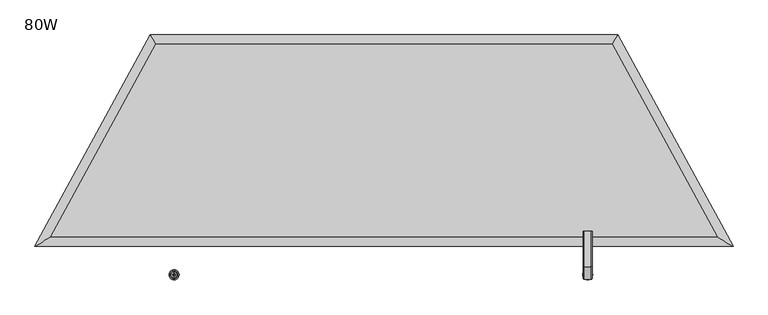
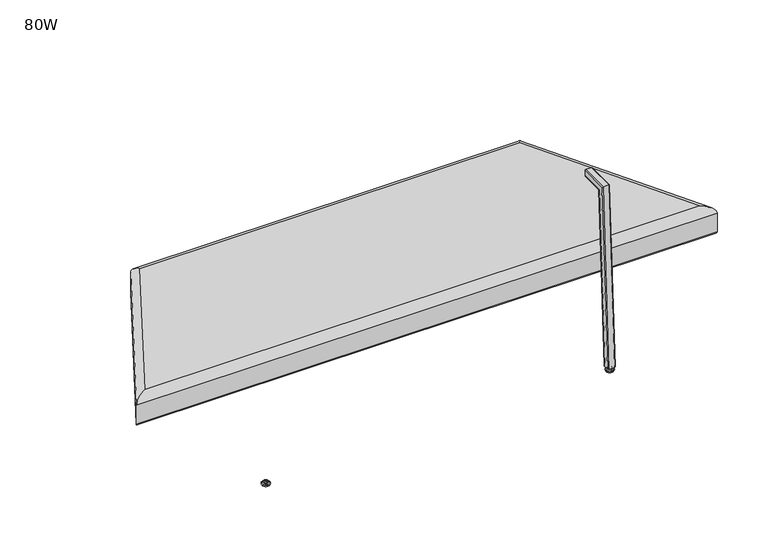
"""IFC4 building model written with IfcOpenShell, lengths in millimetres: furniture geometry, 80W."""

from ifc_helpers import new_model, si_unit, point, frame, origin, place, context, project, spatial, polyline, circle_curve, ellipse_curve, trimmed, outline, extrude, source, transform, mapped, element, save
from ifc_brep_helpers import plane_surface, cylinder_surface, revolved_surface, advanced_brep


def furniture_80w_6e735d3f(model_context):
    return source(origin(), model_context, "Body", "SolidModel", [
        advanced_brep(
        [(1650.9879716, 678.8688097, 405.8895176), (334.3658124, 678.8688097, 405.8895176), (31.9123949, 123.7984512, 405.8895176), (1953.4413891, 123.7984512, 405.8895176), (1988.655218, 102.8840302, 304.2919641), (-3.301434, 102.8840302, 304.2919641), (321.9441865, 699.7832308, 304.2919641), (1663.4095975, 699.7832308, 304.2919641), (1667.1810299, 706.1332308, 310.6419641), (1999.3467792, 96.5340302, 310.6419641), (1667.1810299, 706.1332308, 379.4503267), (1999.3467792, 96.5340302, 379.4503267), (-13.9929952, 96.5340302, 310.6419641), (-13.9929952, 96.5340302, 379.4503267), (318.1727541, 706.1332308, 310.6419641), (318.1727541, 706.1332308, 379.4503267)],
        [
            (0, 1),
            (1, 2),
            (2, 3),
            (3, 0),
            (4, 5),
            (5, 6),
            (6, 7),
            (7, 4),
            (8, 9),
            (9, 4, ellipse_curve(frame((1988.655218, 102.8840302, 310.6419641), z_axis=(0.510650857000273, 0.8597881728919552, 0.0), x_axis=(-0.8597881728919552, 0.510650857000273, 0.0)), 12.4351108, 6.35)),
            (7, 8, ellipse_curve(frame((1663.4095975, 699.7832308, 310.6419641), z_axis=(0.8597881728919553, -0.510650857000273, 0.0), x_axis=(0.5106508570002734, 0.8597881728919552, 0.0)), 7.3855401, 6.35)),
            (8, 10),
            (10, 11),
            (11, 9),
            (10, 0, ellipse_curve(frame((1651.4706801, 679.681551, 379.4503267), z_axis=(0.8597881728919553, -0.510650857000273, 0.0), x_axis=(0.5106508570002734, 0.8597881728919552, 0.0)), 30.7653451, 26.4516798)),
            (3, 11, ellipse_curve(frame((1954.8098101, 122.98571, 379.4503267), z_axis=(0.510650857000273, 0.8597881728919552, 0.0), x_axis=(-0.8597881728919552, 0.510650857000273, 0.0)), 51.7999323, 26.4516798)),
            (9, 12),
            (12, 5, ellipse_curve(frame((-3.301434, 102.8840302, 310.6419641), z_axis=(0.5106508570002734, -0.859788172891955, 0.0), x_axis=(0.859788172891955, 0.5106508570002732, 0.0)), 12.4351108, 6.35)),
            (11, 13),
            (13, 12),
            (2, 13, ellipse_curve(frame((30.5439739, 122.98571, 379.4503267), z_axis=(0.5106508570002734, -0.859788172891955, 0.0), x_axis=(0.859788172891955, 0.5106508570002732, 0.0)), 51.7999323, 26.4516798)),
            (12, 14),
            (14, 6, ellipse_curve(frame((321.9441865, 699.7832308, 310.6419641), z_axis=(-0.8597881728919551, -0.5106508570002735, 0.0), x_axis=(0.5106508570002738, -0.859788172891955, 0.0)), 7.3855401, 6.35)),
            (13, 15),
            (15, 14),
            (1, 15, ellipse_curve(frame((333.8831039, 679.681551, 379.4503267), z_axis=(-0.8597881728919551, -0.5106508570002735, 0.0), x_axis=(0.5106508570002738, -0.859788172891955, 0.0)), 30.7653451, 26.4516798)),
            (14, 8),
            (15, 10),
        ],
        [
            plane_surface(frame((31.9123949, 123.7984512, 405.8895176), z_axis=(0.0, 0.0, 1.0000000000000002), x_axis=(0.4784714044897729, 0.8781031346519521, 0.0))),
            plane_surface(frame((31.9123949, 123.7984512, 304.2919641), z_axis=(0.0, 0.0, -1.0000000000000002), x_axis=(-0.4784714044897729, -0.8781031346519521, 0.0))),
            cylinder_surface(frame((1669.3529903, 688.8757621, 310.6419641), z_axis=(-0.47847140448977327, 0.8781031346519518, 0.0), x_axis=(-0.8781031346519518, -0.47847140448977327, 0.0)), 6.35),
            plane_surface(frame((1667.1810299, 706.1332308, 310.6419641), z_axis=(0.8781031346519518, 0.47847140448977327, 0.0), x_axis=(0.47847140448977327, -0.8781031346519518, 0.0))),
            cylinder_surface(frame((1651.7016423, 679.2576832, 379.4503267), z_axis=(-0.47847140448977327, 0.8781031346519518, 0.0), x_axis=(-0.8781031346519518, -0.47847140448977327, 0.0)), 26.4516798),
            cylinder_surface(frame((1953.4413891, 102.8840302, 310.6419641), z_axis=(1.0, 0.0, 0.0), x_axis=(0.0, 1.0, 0.0)), 6.35),
            plane_surface(frame((1999.3467792, 96.5340302, 310.6419641), z_axis=(0.0, -1.0, 0.0), x_axis=(-1.0, 0.0, 0.0))),
            cylinder_surface(frame((1953.4413891, 122.98571, 379.4503267), z_axis=(1.0, 0.0, 0.0), x_axis=(0.0, 1.0, 0.0)), 26.4516798),
            cylinder_surface(frame((13.5473762, 133.8054037, 310.6419641), z_axis=(-0.47847140448977277, -0.8781031346519521, 0.0), x_axis=(0.8781031346519521, -0.47847140448977277, 0.0)), 6.35),
            plane_surface(frame((-13.9929952, 96.5340302, 310.6419641), z_axis=(-0.878103134651952, 0.478471404489773, 0.0), x_axis=(0.478471404489773, 0.878103134651952, 0.0))),
            cylinder_surface(frame((31.1987242, 124.1873247, 379.4503267), z_axis=(-0.47847140448977277, -0.8781031346519521, 0.0), x_axis=(0.8781031346519521, -0.47847140448977277, 0.0)), 26.4516798),
            cylinder_surface(frame((334.3658124, 699.7832308, 310.6419641), z_axis=(-1.0, 0.0, 0.0), x_axis=(0.0, -1.0, 0.0)), 6.35),
            plane_surface(frame((318.1727541, 706.1332308, 310.6419641), z_axis=(0.0, 1.0, 0.0), x_axis=(1.0, 0.0, 0.0))),
            cylinder_surface(frame((334.3658124, 679.681551, 379.4503267), z_axis=(-1.0, 0.0, 0.0), x_axis=(0.0, -1.0, 0.0)), 26.4516798),
        ],
        [
            (0, [[1, 2, 3, 4]]),
            (1, [[5, 6, 7, 8]]),
            (2, [[9, 10, -8, 11]]),
            (3, [[12, 13, 14, -9]]),
            (4, [[15, -4, 16, -13]]),
            (5, [[17, 18, -5, -10]]),
            (6, [[19, 20, -17, -14]]),
            (7, [[-3, 21, -19, -16]]),
            (8, [[22, 23, -6, -18]]),
            (9, [[24, 25, -22, -20]]),
            (10, [[-2, 26, -24, -21]]),
            (11, [[-7, -23, 27, -11]]),
            (12, [[-27, -25, 28, -12]]),
            (13, [[-28, -26, -1, -15]]),
        ],
    ),
        advanced_brep(
        [(1579.88, 645.9431587, 14.8752118), (1579.88, 649.2548643, 14.8752118), (1579.88, 652.5665699, 14.8752118), (1579.88, 645.3562211, 13.858606), (1579.88, 653.1535076, 13.858606), (1579.88, 641.3242474, 11.2402116), (1579.88, 657.1854813, 11.2402116), (1579.88, 641.3242474, 8.74896), (1579.88, 657.1854813, 8.74896), (1579.88, 642.9059165, 8.74896), (1579.88, 655.6038121, 8.74896), (1579.88, 638.0462975, 5.9432577), (1579.88, 660.4634312, 5.9432577), (1579.88, 634.8556417, 3.5556814), (1579.88, 663.6540869, 3.5556814), (1579.88, 636.908533, 0.0), (1579.88, 661.6011957, 0.0), (1579.88, 649.2548643, 0.0)],
        [
            (0, 1),
            (1, 2),
            (2, 0, circle_curve(frame((1579.88, 649.2548643, 14.8752118), z_axis=(0.0, 0.0, 1.0), x_axis=(0.0, 1.0, 0.0)), 3.3117056)),
            (0, 2, circle_curve(frame((1579.88, 649.2548643, 14.8752118), z_axis=(0.0, 0.0, 1.0), x_axis=(0.0, 1.0, 0.0)), 3.3117056)),
            (3, 0),
            (2, 4),
            (4, 3, circle_curve(frame((1579.88, 649.2548643, 13.858606), z_axis=(0.0, 0.0, 1.0), x_axis=(0.0, 1.0, 0.0)), 3.8986433)),
            (3, 4, circle_curve(frame((1579.88, 649.2548643, 13.858606), z_axis=(0.0, 0.0, 1.0), x_axis=(0.0, 1.0, 0.0)), 3.8986433)),
            (5, 3),
            (4, 6),
            (6, 5, circle_curve(frame((1579.88, 649.2548643, 11.2402116), z_axis=(0.0, 0.0, 1.0), x_axis=(0.0, 1.0, 0.0)), 7.930617)),
            (5, 6, circle_curve(frame((1579.88, 649.2548643, 11.2402116), z_axis=(0.0, 0.0, 1.0), x_axis=(0.0, 1.0, 0.0)), 7.930617)),
            (7, 5),
            (6, 8),
            (8, 7, circle_curve(frame((1579.88, 649.2548643, 8.74896), z_axis=(0.0, 0.0, 1.0), x_axis=(0.0, 1.0, 0.0)), 7.930617)),
            (7, 8, circle_curve(frame((1579.88, 649.2548643, 8.74896), z_axis=(0.0, 0.0, 1.0), x_axis=(0.0, 1.0, 0.0)), 7.930617)),
            (9, 7),
            (8, 10),
            (10, 9, circle_curve(frame((1579.88, 649.2548643, 8.74896), z_axis=(0.0, 0.0, 1.0), x_axis=(0.0, 1.0, 0.0)), 6.3489478)),
            (9, 10, circle_curve(frame((1579.88, 649.2548643, 8.74896), z_axis=(0.0, 0.0, 1.0), x_axis=(0.0, 1.0, 0.0)), 6.3489478)),
            (11, 9, circle_curve(frame((1579.88, 638.3936715, 10.9529929), z_axis=(1.0, 0.0, 0.0), x_axis=(0.0, -1.0, 0.0)), 5.0217642)),
            (10, 12, circle_curve(frame((1579.88, 660.1160571, 10.9529929), z_axis=(1.0, 0.0, 0.0), x_axis=(0.0, 1.0, 0.0)), 5.0217642)),
            (12, 11, circle_curve(frame((1579.88, 649.2548643, 5.9432577), z_axis=(0.0, 0.0, 1.0), x_axis=(0.0, 1.0, 0.0)), 11.2085669)),
            (11, 12, circle_curve(frame((1579.88, 649.2548643, 5.9432577), z_axis=(0.0, 0.0, 1.0), x_axis=(0.0, 1.0, 0.0)), 11.2085669)),
            (13, 11, circle_curve(frame((1579.88, 637.8352492, 2.8995769), z_axis=(-1.0, 0.0, 0.0), x_axis=(0.0, -1.0, 0.0)), 3.050989)),
            (12, 14, circle_curve(frame((1579.88, 660.6744794, 2.8995769), z_axis=(-1.0, 0.0, 0.0), x_axis=(0.0, 1.0, 0.0)), 3.050989)),
            (14, 13, circle_curve(frame((1579.88, 649.2548643, 3.5556814), z_axis=(0.0, 0.0, 1.0), x_axis=(0.0, 1.0, 0.0)), 14.3992226)),
            (13, 14, circle_curve(frame((1579.88, 649.2548643, 3.5556814), z_axis=(0.0, 0.0, 1.0), x_axis=(0.0, 1.0, 0.0)), 14.3992226)),
            (15, 13),
            (14, 16),
            (16, 15, circle_curve(frame((1579.88, 649.2548643, 0.0), z_axis=(0.0, 0.0, 1.0), x_axis=(0.0, 1.0, 0.0)), 12.3463313)),
            (15, 16, circle_curve(frame((1579.88, 649.2548643, 0.0), z_axis=(0.0, 0.0, 1.0), x_axis=(0.0, 1.0, 0.0)), 12.3463313)),
            (17, 15),
            (16, 17),
        ],
        [
            plane_surface(frame((1579.88, 649.2548643, 14.8752118), z_axis=(0.0, 0.0, 1.0), x_axis=(0.0, 1.0, 0.0))),
            revolved_surface(polyline([(1579.88, 652.5665699, 14.8752118), (1579.88, 653.1535076, 13.858606)]), (1579.88, 649.2548643, 0.0), (0.0, 0.0, -1.0)),
            revolved_surface(polyline([(1579.88, 653.1535076, 13.858606), (1579.88, 657.1854813, 11.2402116)]), (1579.88, 649.2548643, 0.0), (0.0, 0.0, -1.0)),
            cylinder_surface(frame((1579.88, 649.2548643, 0.0), z_axis=(0.0, 0.0, -1.0), x_axis=(0.0, 1.0, 0.0)), 7.930617),
            plane_surface(frame((1579.88, 649.2548643, 8.74896), z_axis=(0.0, 0.0, -1.0), x_axis=(0.0, 1.0, 0.0))),
            revolved_surface(trimmed(ellipse_curve(frame((1579.88, 660.1160571, 10.9529929), z_axis=(1.0, 0.0, 0.0), x_axis=(0.0, 1.0, 0.0)), 5.0217642, 5.0217642), [point((1579.88, 655.6038121, 8.74896))], [point((1579.88, 660.4634312, 5.9432577))], True, "CARTESIAN"), (1579.88, 649.2548643, 0.0), (0.0, 0.0, -1.0)),
            revolved_surface(trimmed(ellipse_curve(frame((1579.88, 660.6744794, 2.8995769), z_axis=(-1.0, 0.0, 0.0), x_axis=(0.0, 1.0, 0.0)), 3.050989, 3.050989), [point((1579.88, 660.4634312, 5.9432577))], [point((1579.88, 663.6540869, 3.5556814))], True, "CARTESIAN"), (1579.88, 649.2548643, 0.0), (0.0, 0.0, -1.0)),
            revolved_surface(polyline([(1579.88, 663.6540869, 3.5556814), (1579.88, 661.6011957, 0.0)]), (1579.88, 649.2548643, 0.0), (0.0, 0.0, -1.0)),
            plane_surface(frame((1579.88, 649.2548643, 0.0), z_axis=(0.0, 0.0, -1.0), x_axis=(0.0, 1.0, 0.0))),
        ],
        [
            (0, [[1, 2, 3]]),
            (0, [[-2, -1, 4]]),
            (1, [[5, -3, 6, 7]]),
            (1, [[-6, -4, -5, 8]]),
            (2, [[9, -7, 10, 11]]),
            (2, [[-10, -8, -9, 12]]),
            (3, [[13, -11, 14, 15]]),
            (3, [[-14, -12, -13, 16]]),
            (4, [[17, -15, 18, 19]]),
            (4, [[-18, -16, -17, 20]]),
            (5, [[21, -19, 22, 23]]),
            (5, [[-22, -20, -21, 24]]),
            (6, [[25, -23, 26, 27]]),
            (6, [[-26, -24, -25, 28]]),
            (7, [[29, -27, 30, 31]]),
            (7, [[-30, -28, -29, 32]]),
            (8, [[33, -31, 34]]),
            (8, [[-34, -32, -33]]),
        ],
    ),
        advanced_brep(
        [(1579.88, 14.3992226, 14.8752118), (1579.88, 17.7109282, 14.8752118), (1579.88, 11.087517, 14.8752118), (1579.88, 18.2978659, 13.858606), (1579.88, 10.5005793, 13.858606), (1579.88, 22.3298395, 11.2402116), (1579.88, 6.4686056, 11.2402116), (1579.88, 22.3298395, 8.74896), (1579.88, 6.4686056, 8.74896), (1579.88, 20.7481704, 8.74896), (1579.88, 8.0502748, 8.74896), (1579.88, 25.6077895, 5.9432577), (1579.88, 3.1906557, 5.9432577), (1579.88, 28.7984452, 3.5556814), (1579.88, 0.0, 3.5556814), (1579.88, 26.7455539, 0.0), (1579.88, 2.0528912, 0.0), (1579.88, 14.3992226, 0.0)],
        [
            (0, 1),
            (1, 2, circle_curve(frame((1579.88, 14.3992226, 14.8752118), z_axis=(0.0, 0.0, 1.0), x_axis=(0.0, -1.0, 0.0)), 3.3117056)),
            (2, 0),
            (2, 1, circle_curve(frame((1579.88, 14.3992226, 14.8752118), z_axis=(0.0, 0.0, 1.0), x_axis=(0.0, -1.0, 0.0)), 3.3117056)),
            (1, 3),
            (3, 4, circle_curve(frame((1579.88, 14.3992226, 13.858606), z_axis=(0.0, 0.0, 1.0), x_axis=(0.0, -1.0, 0.0)), 3.8986433)),
            (4, 2),
            (4, 3, circle_curve(frame((1579.88, 14.3992226, 13.858606), z_axis=(0.0, 0.0, 1.0), x_axis=(0.0, -1.0, 0.0)), 3.8986433)),
            (3, 5),
            (5, 6, circle_curve(frame((1579.88, 14.3992226, 11.2402116), z_axis=(0.0, 0.0, 1.0), x_axis=(0.0, -1.0, 0.0)), 7.930617)),
            (6, 4),
            (6, 5, circle_curve(frame((1579.88, 14.3992226, 11.2402116), z_axis=(0.0, 0.0, 1.0), x_axis=(0.0, -1.0, 0.0)), 7.930617)),
            (5, 7),
            (7, 8, circle_curve(frame((1579.88, 14.3992226, 8.74896), z_axis=(0.0, 0.0, 1.0), x_axis=(0.0, -1.0, 0.0)), 7.930617)),
            (8, 6),
            (8, 7, circle_curve(frame((1579.88, 14.3992226, 8.74896), z_axis=(0.0, 0.0, 1.0), x_axis=(0.0, -1.0, 0.0)), 7.930617)),
            (7, 9),
            (9, 10, circle_curve(frame((1579.88, 14.3992226, 8.74896), z_axis=(0.0, 0.0, 1.0), x_axis=(0.0, -1.0, 0.0)), 6.3489478)),
            (10, 8),
            (10, 9, circle_curve(frame((1579.88, 14.3992226, 8.74896), z_axis=(0.0, 0.0, 1.0), x_axis=(0.0, -1.0, 0.0)), 6.3489478)),
            (9, 11, circle_curve(frame((1579.88, 25.2604154, 10.9529929), z_axis=(1.0, 0.0, 0.0), x_axis=(0.0, -1.0, 0.0)), 5.0217642)),
            (11, 12, circle_curve(frame((1579.88, 14.3992226, 5.9432577), z_axis=(0.0, 0.0, 1.0), x_axis=(0.0, -1.0, 0.0)), 11.2085669)),
            (12, 10, circle_curve(frame((1579.88, 3.5380298, 10.9529929), z_axis=(1.0, 0.0, 0.0), x_axis=(0.0, 1.0, 0.0)), 5.0217642)),
            (12, 11, circle_curve(frame((1579.88, 14.3992226, 5.9432577), z_axis=(0.0, 0.0, 1.0), x_axis=(0.0, -1.0, 0.0)), 11.2085669)),
            (11, 13, circle_curve(frame((1579.88, 25.8188377, 2.8995769), z_axis=(-1.0, 0.0, 0.0), x_axis=(0.0, -1.0, 0.0)), 3.050989)),
            (13, 14, circle_curve(frame((1579.88, 14.3992226, 3.5556814), z_axis=(0.0, 0.0, 1.0), x_axis=(0.0, -1.0, 0.0)), 14.3992226)),
            (14, 12, circle_curve(frame((1579.88, 2.9796075, 2.8995769), z_axis=(-1.0, 0.0, 0.0), x_axis=(0.0, 1.0, 0.0)), 3.050989)),
            (14, 13, circle_curve(frame((1579.88, 14.3992226, 3.5556814), z_axis=(0.0, 0.0, 1.0), x_axis=(0.0, -1.0, 0.0)), 14.3992226)),
            (13, 15),
            (15, 16, circle_curve(frame((1579.88, 14.3992226, 0.0), z_axis=(0.0, 0.0, 1.0), x_axis=(0.0, -1.0, 0.0)), 12.3463313)),
            (16, 14),
            (16, 15, circle_curve(frame((1579.88, 14.3992226, 0.0), z_axis=(0.0, 0.0, 1.0), x_axis=(0.0, -1.0, 0.0)), 12.3463313)),
            (15, 17),
            (17, 16),
        ],
        [
            plane_surface(frame((1579.88, 14.3992226, 14.8752118), z_axis=(0.0, 0.0, 1.0), x_axis=(0.0, -1.0, 0.0))),
            revolved_surface(polyline([(1579.88, 10.5005793, 13.858606), (1579.88, 11.087517, 14.8752118)]), (1579.88, 14.3992226, 0.0), (0.0, 0.0, 1.0)),
            revolved_surface(polyline([(1579.88, 6.4686056, 11.2402116), (1579.88, 10.5005793, 13.858606)]), (1579.88, 14.3992226, 0.0), (0.0, 0.0, 1.0)),
            cylinder_surface(frame((1579.88, 14.3992226, 0.0), z_axis=(0.0, 0.0, 1.0), x_axis=(0.0, -1.0, 0.0)), 7.930617),
            plane_surface(frame((1579.88, 14.3992226, 8.74896), z_axis=(0.0, 0.0, -1.0), x_axis=(0.0, -1.0, 0.0))),
            revolved_surface(trimmed(ellipse_curve(frame((1579.88, 3.5380298, 10.9529929), z_axis=(1.0, 0.0, 0.0), x_axis=(0.0, 1.0, 0.0)), 5.0217642, 5.0217642), [point((1579.88, 3.1906557, 5.9432577))], [point((1579.88, 8.0502748, 8.74896))], True, "CARTESIAN"), (1579.88, 14.3992226, 0.0), (0.0, 0.0, 1.0)),
            revolved_surface(trimmed(ellipse_curve(frame((1579.88, 2.9796075, 2.8995769), z_axis=(-1.0, 0.0, 0.0), x_axis=(0.0, 1.0, 0.0)), 3.050989, 3.050989), [point((1579.88, 0.0, 3.5556814))], [point((1579.88, 3.1906557, 5.9432577))], True, "CARTESIAN"), (1579.88, 14.3992226, 0.0), (0.0, 0.0, 1.0)),
            revolved_surface(polyline([(1579.88, 2.0528912, 0.0), (1579.88, 0.0, 3.5556814)]), (1579.88, 14.3992226, 0.0), (0.0, 0.0, 1.0)),
            plane_surface(frame((1579.88, 14.3992226, 0.0), z_axis=(0.0, 0.0, -1.0), x_axis=(0.0, -1.0, 0.0))),
        ],
        [
            (0, [[1, 2, 3]]),
            (0, [[-3, 4, -1]]),
            (1, [[5, 6, 7, -2]]),
            (1, [[-7, 8, -5, -4]]),
            (2, [[9, 10, 11, -6]]),
            (2, [[-11, 12, -9, -8]]),
            (3, [[13, 14, 15, -10]]),
            (3, [[-15, 16, -13, -12]]),
            (4, [[17, 18, 19, -14]]),
            (4, [[-19, 20, -17, -16]]),
            (5, [[21, 22, 23, -18]]),
            (5, [[-23, 24, -21, -20]]),
            (6, [[25, 26, 27, -22]]),
            (6, [[-27, 28, -25, -24]]),
            (7, [[29, 30, 31, -26]]),
            (7, [[-31, 32, -29, -28]]),
            (8, [[33, 34, -30]]),
            (8, [[-34, -33, -32]]),
        ],
    ),
        advanced_brep(
        [(387.2755006, 649.2548643, 14.8752118), (387.2755006, 645.9431587, 14.8752118), (387.2755006, 652.5665699, 14.8752118), (387.2755006, 645.3562211, 13.858606), (387.2755006, 653.1535076, 13.858606), (387.2755006, 641.3242474, 11.2402116), (387.2755006, 657.1854813, 11.2402116), (387.2755006, 641.3242474, 8.74896), (387.2755006, 657.1854813, 8.74896), (387.2755006, 642.9059165, 8.74896), (387.2755006, 655.6038121, 8.74896), (387.2755006, 638.0462975, 5.9432577), (387.2755006, 660.4634312, 5.9432577), (387.2755006, 634.8556417, 3.5556814), (387.2755006, 663.6540869, 3.5556814), (387.2755006, 636.908533, 0.0), (387.2755006, 661.6011957, 0.0), (387.2755006, 649.2548643, 0.0)],
        [
            (0, 1),
            (1, 2, circle_curve(frame((387.2755006, 649.2548643, 14.8752118), z_axis=(0.0, 0.0, 1.0), x_axis=(0.0, 1.0, 0.0)), 3.3117056)),
            (2, 0),
            (2, 1, circle_curve(frame((387.2755006, 649.2548643, 14.8752118), z_axis=(0.0, 0.0, 1.0), x_axis=(0.0, 1.0, 0.0)), 3.3117056)),
            (1, 3),
            (3, 4, circle_curve(frame((387.2755006, 649.2548643, 13.858606), z_axis=(0.0, 0.0, 1.0), x_axis=(0.0, 1.0, 0.0)), 3.8986433)),
            (4, 2),
            (4, 3, circle_curve(frame((387.2755006, 649.2548643, 13.858606), z_axis=(0.0, 0.0, 1.0), x_axis=(0.0, 1.0, 0.0)), 3.8986433)),
            (3, 5),
            (5, 6, circle_curve(frame((387.2755006, 649.2548643, 11.2402116), z_axis=(0.0, 0.0, 1.0), x_axis=(0.0, 1.0, 0.0)), 7.930617)),
            (6, 4),
            (6, 5, circle_curve(frame((387.2755006, 649.2548643, 11.2402116), z_axis=(0.0, 0.0, 1.0), x_axis=(0.0, 1.0, 0.0)), 7.930617)),
            (5, 7),
            (7, 8, circle_curve(frame((387.2755006, 649.2548643, 8.74896), z_axis=(0.0, 0.0, 1.0), x_axis=(0.0, 1.0, 0.0)), 7.930617)),
            (8, 6),
            (8, 7, circle_curve(frame((387.2755006, 649.2548643, 8.74896), z_axis=(0.0, 0.0, 1.0), x_axis=(0.0, 1.0, 0.0)), 7.930617)),
            (7, 9),
            (9, 10, circle_curve(frame((387.2755006, 649.2548643, 8.74896), z_axis=(0.0, 0.0, 1.0), x_axis=(0.0, 1.0, 0.0)), 6.3489478)),
            (10, 8),
            (10, 9, circle_curve(frame((387.2755006, 649.2548643, 8.74896), z_axis=(0.0, 0.0, 1.0), x_axis=(0.0, 1.0, 0.0)), 6.3489478)),
            (9, 11, circle_curve(frame((387.2755006, 638.3936715, 10.9529929), z_axis=(-1.0, 0.0, 0.0), x_axis=(0.0, -1.0, 0.0)), 5.0217642)),
            (11, 12, circle_curve(frame((387.2755006, 649.2548643, 5.9432577), z_axis=(0.0, 0.0, 1.0), x_axis=(0.0, 1.0, 0.0)), 11.2085669)),
            (12, 10, circle_curve(frame((387.2755006, 660.1160571, 10.9529929), z_axis=(-1.0, 0.0, 0.0), x_axis=(0.0, 1.0, 0.0)), 5.0217642)),
            (12, 11, circle_curve(frame((387.2755006, 649.2548643, 5.9432577), z_axis=(0.0, 0.0, 1.0), x_axis=(0.0, 1.0, 0.0)), 11.2085669)),
            (11, 13, circle_curve(frame((387.2755006, 637.8352492, 2.8995769), z_axis=(1.0, 0.0, 0.0), x_axis=(0.0, -1.0, 0.0)), 3.050989)),
            (13, 14, circle_curve(frame((387.2755006, 649.2548643, 3.5556814), z_axis=(0.0, 0.0, 1.0), x_axis=(0.0, 1.0, 0.0)), 14.3992226)),
            (14, 12, circle_curve(frame((387.2755006, 660.6744794, 2.8995769), z_axis=(1.0, 0.0, 0.0), x_axis=(0.0, 1.0, 0.0)), 3.050989)),
            (14, 13, circle_curve(frame((387.2755006, 649.2548643, 3.5556814), z_axis=(0.0, 0.0, 1.0), x_axis=(0.0, 1.0, 0.0)), 14.3992226)),
            (13, 15),
            (15, 16, circle_curve(frame((387.2755006, 649.2548643, 0.0), z_axis=(0.0, 0.0, 1.0), x_axis=(0.0, 1.0, 0.0)), 12.3463313)),
            (16, 14),
            (16, 15, circle_curve(frame((387.2755006, 649.2548643, 0.0), z_axis=(0.0, 0.0, 1.0), x_axis=(0.0, 1.0, 0.0)), 12.3463313)),
            (15, 17),
            (17, 16),
        ],
        [
            plane_surface(frame((387.2755006, 649.2548643, 14.8752118), z_axis=(0.0, 0.0, 1.0), x_axis=(0.0, 1.0, 0.0))),
            revolved_surface(polyline([(387.2755006, 653.1535076, 13.858606), (387.2755006, 652.5665699, 14.8752118)]), (387.2755006, 649.2548643, 0.0), (0.0, 0.0, 1.0)),
            revolved_surface(polyline([(387.2755006, 657.1854813, 11.2402116), (387.2755006, 653.1535076, 13.858606)]), (387.2755006, 649.2548643, 0.0), (0.0, 0.0, 1.0)),
            cylinder_surface(frame((387.2755006, 649.2548643, 0.0), z_axis=(0.0, 0.0, 1.0), x_axis=(0.0, 1.0, 0.0)), 7.930617),
            plane_surface(frame((387.2755006, 649.2548643, 8.74896), z_axis=(0.0, 0.0, -1.0), x_axis=(0.0, 1.0, 0.0))),
            revolved_surface(trimmed(ellipse_curve(frame((387.2755006, 660.1160571, 10.9529929), z_axis=(-1.0, 0.0, 0.0), x_axis=(0.0, 1.0, 0.0)), 5.0217642, 5.0217642), [point((387.2755006, 660.4634312, 5.9432577))], [point((387.2755006, 655.6038121, 8.74896))], True, "CARTESIAN"), (387.2755006, 649.2548643, 0.0), (0.0, 0.0, 1.0)),
            revolved_surface(trimmed(ellipse_curve(frame((387.2755006, 660.6744794, 2.8995769), z_axis=(1.0, 0.0, 0.0), x_axis=(0.0, 1.0, 0.0)), 3.050989, 3.050989), [point((387.2755006, 663.6540869, 3.5556814))], [point((387.2755006, 660.4634312, 5.9432577))], True, "CARTESIAN"), (387.2755006, 649.2548643, 0.0), (0.0, 0.0, 1.0)),
            revolved_surface(polyline([(387.2755006, 661.6011957, 0.0), (387.2755006, 663.6540869, 3.5556814)]), (387.2755006, 649.2548643, 0.0), (0.0, 0.0, 1.0)),
            plane_surface(frame((387.2755006, 649.2548643, 0.0), z_axis=(0.0, 0.0, -1.0), x_axis=(0.0, 1.0, 0.0))),
        ],
        [
            (0, [[1, 2, 3]]),
            (0, [[-3, 4, -1]]),
            (1, [[5, 6, 7, -2]]),
            (1, [[-7, 8, -5, -4]]),
            (2, [[9, 10, 11, -6]]),
            (2, [[-11, 12, -9, -8]]),
            (3, [[13, 14, 15, -10]]),
            (3, [[-15, 16, -13, -12]]),
            (4, [[17, 18, 19, -14]]),
            (4, [[-19, 20, -17, -16]]),
            (5, [[21, 22, 23, -18]]),
            (5, [[-23, 24, -21, -20]]),
            (6, [[25, 26, 27, -22]]),
            (6, [[-27, 28, -25, -24]]),
            (7, [[29, 30, 31, -26]]),
            (7, [[-31, 32, -29, -28]]),
            (8, [[33, 34, -30]]),
            (8, [[-34, -33, -32]]),
        ],
    ),
        advanced_brep(
        [(387.2755006, 17.7109282, 14.8752118), (387.2755006, 14.3992226, 14.8752118), (387.2755006, 11.087517, 14.8752118), (387.2755006, 18.2978659, 13.858606), (387.2755006, 10.5005793, 13.858606), (387.2755006, 22.3298395, 11.2402116), (387.2755006, 6.4686056, 11.2402116), (387.2755006, 22.3298395, 8.74896), (387.2755006, 6.4686056, 8.74896), (387.2755006, 20.7481704, 8.74896), (387.2755006, 8.0502748, 8.74896), (387.2755006, 25.6077895, 5.9432577), (387.2755006, 3.1906557, 5.9432577), (387.2755006, 28.7984452, 3.5556814), (387.2755006, 0.0, 3.5556814), (387.2755006, 26.7455539, 0.0), (387.2755006, 2.0528912, 0.0), (387.2755006, 14.3992226, 0.0)],
        [
            (0, 1),
            (1, 2),
            (2, 0, circle_curve(frame((387.2755006, 14.3992226, 14.8752118), z_axis=(0.0, 0.0, 1.0), x_axis=(0.0, -1.0, 0.0)), 3.3117056)),
            (0, 2, circle_curve(frame((387.2755006, 14.3992226, 14.8752118), z_axis=(0.0, 0.0, 1.0), x_axis=(0.0, -1.0, 0.0)), 3.3117056)),
            (3, 0),
            (2, 4),
            (4, 3, circle_curve(frame((387.2755006, 14.3992226, 13.858606), z_axis=(0.0, 0.0, 1.0), x_axis=(0.0, -1.0, 0.0)), 3.8986433)),
            (3, 4, circle_curve(frame((387.2755006, 14.3992226, 13.858606), z_axis=(0.0, 0.0, 1.0), x_axis=(0.0, -1.0, 0.0)), 3.8986433)),
            (5, 3),
            (4, 6),
            (6, 5, circle_curve(frame((387.2755006, 14.3992226, 11.2402116), z_axis=(0.0, 0.0, 1.0), x_axis=(0.0, -1.0, 0.0)), 7.930617)),
            (5, 6, circle_curve(frame((387.2755006, 14.3992226, 11.2402116), z_axis=(0.0, 0.0, 1.0), x_axis=(0.0, -1.0, 0.0)), 7.930617)),
            (7, 5),
            (6, 8),
            (8, 7, circle_curve(frame((387.2755006, 14.3992226, 8.74896), z_axis=(0.0, 0.0, 1.0), x_axis=(0.0, -1.0, 0.0)), 7.930617)),
            (7, 8, circle_curve(frame((387.2755006, 14.3992226, 8.74896), z_axis=(0.0, 0.0, 1.0), x_axis=(0.0, -1.0, 0.0)), 7.930617)),
            (9, 7),
            (8, 10),
            (10, 9, circle_curve(frame((387.2755006, 14.3992226, 8.74896), z_axis=(0.0, 0.0, 1.0), x_axis=(0.0, -1.0, 0.0)), 6.3489478)),
            (9, 10, circle_curve(frame((387.2755006, 14.3992226, 8.74896), z_axis=(0.0, 0.0, 1.0), x_axis=(0.0, -1.0, 0.0)), 6.3489478)),
            (11, 9, circle_curve(frame((387.2755006, 25.2604154, 10.9529929), z_axis=(-1.0, 0.0, 0.0), x_axis=(0.0, -1.0, 0.0)), 5.0217642)),
            (10, 12, circle_curve(frame((387.2755006, 3.5380298, 10.9529929), z_axis=(-1.0, 0.0, 0.0), x_axis=(0.0, 1.0, 0.0)), 5.0217642)),
            (12, 11, circle_curve(frame((387.2755006, 14.3992226, 5.9432577), z_axis=(0.0, 0.0, 1.0), x_axis=(0.0, -1.0, 0.0)), 11.2085669)),
            (11, 12, circle_curve(frame((387.2755006, 14.3992226, 5.9432577), z_axis=(0.0, 0.0, 1.0), x_axis=(0.0, -1.0, 0.0)), 11.2085669)),
            (13, 11, circle_curve(frame((387.2755006, 25.8188377, 2.8995769), z_axis=(1.0, 0.0, 0.0), x_axis=(0.0, -1.0, 0.0)), 3.050989)),
            (12, 14, circle_curve(frame((387.2755006, 2.9796075, 2.8995769), z_axis=(1.0, 0.0, 0.0), x_axis=(0.0, 1.0, 0.0)), 3.050989)),
            (14, 13, circle_curve(frame((387.2755006, 14.3992226, 3.5556814), z_axis=(0.0, 0.0, 1.0), x_axis=(0.0, -1.0, 0.0)), 14.3992226)),
            (13, 14, circle_curve(frame((387.2755006, 14.3992226, 3.5556814), z_axis=(0.0, 0.0, 1.0), x_axis=(0.0, -1.0, 0.0)), 14.3992226)),
            (15, 13),
            (14, 16),
            (16, 15, circle_curve(frame((387.2755006, 14.3992226, 0.0), z_axis=(0.0, 0.0, 1.0), x_axis=(0.0, -1.0, 0.0)), 12.3463313)),
            (15, 16, circle_curve(frame((387.2755006, 14.3992226, 0.0), z_axis=(0.0, 0.0, 1.0), x_axis=(0.0, -1.0, 0.0)), 12.3463313)),
            (17, 15),
            (16, 17),
        ],
        [
            plane_surface(frame((387.2755006, 14.3992226, 14.8752118), z_axis=(0.0, 0.0, 1.0), x_axis=(0.0, -1.0, 0.0))),
            revolved_surface(polyline([(387.2755006, 11.087517, 14.8752118), (387.2755006, 10.5005793, 13.858606)]), (387.2755006, 14.3992226, 0.0), (0.0, 0.0, -1.0)),
            revolved_surface(polyline([(387.2755006, 10.5005793, 13.858606), (387.2755006, 6.4686056, 11.2402116)]), (387.2755006, 14.3992226, 0.0), (0.0, 0.0, -1.0)),
            cylinder_surface(frame((387.2755006, 14.3992226, 0.0), z_axis=(0.0, 0.0, -1.0), x_axis=(0.0, -1.0, 0.0)), 7.930617),
            plane_surface(frame((387.2755006, 14.3992226, 8.74896), z_axis=(0.0, 0.0, -1.0), x_axis=(0.0, -1.0, 0.0))),
            revolved_surface(trimmed(ellipse_curve(frame((387.2755006, 3.5380298, 10.9529929), z_axis=(-1.0, 0.0, 0.0), x_axis=(0.0, 1.0, 0.0)), 5.0217642, 5.0217642), [point((387.2755006, 8.0502748, 8.74896))], [point((387.2755006, 3.1906557, 5.9432577))], True, "CARTESIAN"), (387.2755006, 14.3992226, 0.0), (0.0, 0.0, -1.0)),
            revolved_surface(trimmed(ellipse_curve(frame((387.2755006, 2.9796075, 2.8995769), z_axis=(1.0, 0.0, 0.0), x_axis=(0.0, 1.0, 0.0)), 3.050989, 3.050989), [point((387.2755006, 3.1906557, 5.9432577))], [point((387.2755006, 0.0, 3.5556814))], True, "CARTESIAN"), (387.2755006, 14.3992226, 0.0), (0.0, 0.0, -1.0)),
            revolved_surface(polyline([(387.2755006, 0.0, 3.5556814), (387.2755006, 2.0528912, 0.0)]), (387.2755006, 14.3992226, 0.0), (0.0, 0.0, -1.0)),
            plane_surface(frame((387.2755006, 14.3992226, 0.0), z_axis=(0.0, 0.0, -1.0), x_axis=(0.0, -1.0, 0.0))),
        ],
        [
            (0, [[1, 2, 3]]),
            (0, [[-2, -1, 4]]),
            (1, [[5, -3, 6, 7]]),
            (1, [[-6, -4, -5, 8]]),
            (2, [[9, -7, 10, 11]]),
            (2, [[-10, -8, -9, 12]]),
            (3, [[13, -11, 14, 15]]),
            (3, [[-14, -12, -13, 16]]),
            (4, [[17, -15, 18, 19]]),
            (4, [[-18, -16, -17, 20]]),
            (5, [[21, -19, 22, 23]]),
            (5, [[-22, -20, -21, 24]]),
            (6, [[25, -23, 26, 27]]),
            (6, [[-26, -24, -25, 28]]),
            (7, [[29, -27, 30, 31]]),
            (7, [[-30, -28, -29, 32]]),
            (8, [[33, -31, 34]]),
            (8, [[-34, -32, -33]]),
        ],
    ),
        advanced_brep(
        [(1784.7955207, 230.7462837, 302.386969), (1784.9287395, 230.7462837, 304.2920853), (180.8954939, 230.7462837, 304.2920853), (180.962022, 230.7462837, 302.386969), (1784.9287395, 292.4154368, 304.2920853), (180.8954939, 292.4154368, 304.2920853), (1784.7955207, 292.4154368, 302.386969), (180.962022, 292.4154368, 302.386969), (1784.7955207, 278.2027199, 302.386969), (180.962022, 278.2027199, 302.386969), (1784.7306112, 277.2744696, 301.4587187), (180.9944372, 277.2744696, 301.4587187), (1781.1468943, 277.2744696, 250.2091797), (182.7841105, 277.2744696, 250.2091797), (1780.8883394, 273.576963, 246.5116732), (182.9132303, 273.576963, 246.5116732), (1780.8883394, 249.7778777, 246.5116732), (182.9132303, 249.7778777, 246.5116732), (1781.1570351, 245.9353512, 250.3541997), (182.7790463, 245.9353512, 250.3541997), (1784.7244751, 245.9353512, 301.370969), (180.9975015, 245.9353512, 301.370969), (1784.7955207, 244.9193512, 302.386969), (180.962022, 244.9193512, 302.386969)],
        [
            (0, 1),
            (1, 2),
            (2, 3),
            (3, 0),
            (1, 4),
            (4, 5),
            (5, 2),
            (4, 6),
            (6, 7),
            (7, 5),
            (6, 8),
            (8, 9),
            (9, 7),
            (8, 10, ellipse_curve(frame((1784.7306112, 278.2027199, 301.4587187), z_axis=(0.9975640502598186, 0.0, -0.06975647374420531), x_axis=(-0.06975647374420571, 0.0, -0.9975640502598186)), 0.930517, 0.9282503)),
            (10, 11),
            (11, 9, ellipse_curve(frame((180.9944372, 278.2027199, 301.4587187), z_axis=(-0.9993908270190957, 0.0, -0.034899496702502815), x_axis=(-0.03489949670250302, 0.0, 0.9993908270190957)), 0.9288161, 0.9282503)),
            (10, 12),
            (12, 13),
            (13, 11),
            (12, 14, ellipse_curve(frame((1781.1468943, 273.576963, 250.2091797), z_axis=(-0.9975640502598186, 0.0, 0.06975647374420531), x_axis=(0.06975647374420571, 0.0, 0.9975640502598186)), 3.7065355, 3.6975066)),
            (14, 15),
            (15, 13, ellipse_curve(frame((182.7841105, 273.576963, 250.2091797), z_axis=(0.9993908270190957, 0.0, 0.034899496702502815), x_axis=(0.03489949670250302, 0.0, -0.9993908270190957)), 3.6997604, 3.6975066)),
            (14, 16),
            (16, 17),
            (17, 15),
            (16, 18, ellipse_curve(frame((1781.1570351, 249.7778777, 250.3541997), z_axis=(-0.9975640502598186, 0.0, 0.06975647374420531), x_axis=(0.06975647374420571, 0.0, 0.9975640502598186)), 3.8519096, 3.8425266)),
            (18, 19),
            (19, 17, ellipse_curve(frame((182.7790463, 249.7778777, 250.3541997), z_axis=(0.9993908270190957, 0.0, 0.034899496702502815), x_axis=(0.03489949670250302, 0.0, -0.9993908270190957)), 3.8448687, 3.8425266)),
            (18, 20),
            (20, 21),
            (21, 19),
            (20, 22, ellipse_curve(frame((1784.7244751, 244.9193512, 301.370969), z_axis=(0.9975640502598186, 0.0, -0.06975647374420531), x_axis=(-0.06975647374420571, 0.0, -0.9975640502598186)), 1.018481, 1.016)),
            (22, 23),
            (23, 21, ellipse_curve(frame((180.9975015, 244.9193512, 301.370969), z_axis=(-0.9993908270190957, 0.0, -0.034899496702502815), x_axis=(-0.03489949670250302, 0.0, 0.9993908270190957)), 1.0166193, 1.016)),
            (3, 23),
            (22, 0),
        ],
        [
            plane_surface(frame((1841.5, 230.7462837, 302.386969), z_axis=(0.0, -1.0, 0.0), x_axis=(-1.0, 0.0, 0.0))),
            plane_surface(frame((1841.5, 230.7462837, 304.2920853), z_axis=(0.0, 0.0, 1.0), x_axis=(-1.0, 0.0, 0.0))),
            plane_surface(frame((1841.5, 292.4154368, 304.2920853), z_axis=(0.0, 1.0, 0.0), x_axis=(-1.0, 0.0, 0.0))),
            plane_surface(frame((1841.5, 292.4154368, 302.386969), z_axis=(0.0, 0.0, -1.0), x_axis=(-1.0, 0.0, 0.0))),
            revolved_surface(polyline([(180.9620219855808, 279.1309702, 301.4587187), (1784.7955207846792, 279.1309702, 301.4587187)]), (0.0, 278.2027199, 301.4587187), (-1.0, 0.0, 0.0)),
            plane_surface(frame((1841.5, 277.2744696, 301.4587187), z_axis=(0.0, 1.0, 0.0), x_axis=(-1.0, 0.0, 0.0))),
            cylinder_surface(frame((0.0, 273.576963, 250.2091797), z_axis=(1.0, 0.0, 0.0), x_axis=(0.0, 1.0, 0.0)), 3.6975066),
            plane_surface(frame((1841.5, 273.576963, 246.5116732), z_axis=(0.0, 0.0, -1.0), x_axis=(-1.0, 0.0, 0.0))),
            cylinder_surface(frame((0.0, 249.7778777, 250.3541997), z_axis=(1.0, 0.0, 0.0), x_axis=(0.0, 1.0, 0.0)), 3.8425266),
            plane_surface(frame((1841.5, 245.9353512, 250.3541997), z_axis=(0.0, -1.0, 0.0), x_axis=(-1.0, 0.0, 0.0))),
            revolved_surface(polyline([(180.96202199809196, 245.93535119999999, 301.370969), (1784.7955207431355, 245.93535119999999, 301.370969)]), (0.0, 244.9193512, 301.370969), (-1.0, 0.0, 0.0)),
            plane_surface(frame((1841.5, 244.9193512, 302.386969), z_axis=(0.0, 0.0, -1.0), x_axis=(-1.0, 0.0, 0.0))),
            plane_surface(frame((180.8954939, 115.8078763, 304.2920853), z_axis=(-0.9993908270190957, 0.0, -0.034899496702502815), x_axis=(0.0, 1.0, 0.0))),
            plane_surface(frame((1777.8449395, 115.8078763, 202.9890258), z_axis=(0.9975640502598186, 0.0, -0.06975647374420531), x_axis=(0.0, 1.0, 0.0))),
        ],
        [
            (0, [[1, 2, 3, 4]]),
            (1, [[5, 6, 7, -2]]),
            (2, [[8, 9, 10, -6]]),
            (3, [[11, 12, 13, -9]]),
            (4, [[14, 15, 16, -12]]),
            (5, [[17, 18, 19, -15]]),
            (6, [[20, 21, 22, -18]]),
            (7, [[23, 24, 25, -21]]),
            (8, [[26, 27, 28, -24]]),
            (9, [[29, 30, 31, -27]]),
            (10, [[32, 33, 34, -30]]),
            (11, [[35, -33, 36, -4]]),
            (12, [[-7, -10, -13, -16, -19, -22, -25, -28, -31, -34, -35, -3]]),
            (13, [[-36, -32, -29, -26, -23, -20, -17, -14, -11, -8, -5, -1]]),
        ],
    ),
        advanced_brep(
        [(1682.9474239, 510.0447355, 302.386969), (1683.0806426, 510.0447355, 304.2920853), (285.0083906, 510.0447355, 304.2920853), (285.1608865, 510.0447355, 302.386969), (1683.0806426, 571.7138886, 304.2920853), (285.0083906, 571.7138886, 304.2920853), (1682.9474239, 571.7138886, 302.386969), (285.1608865, 571.7138886, 302.386969), (1682.9474239, 557.5011716, 302.386969), (285.1608865, 557.5011716, 302.386969), (1682.8825143, 556.5729213, 301.4587187), (285.2351887, 556.5729213, 301.4587187), (1679.2987974, 556.5729213, 250.2091797), (289.3374816, 556.5729213, 250.2091797), (1679.0402426, 552.8754147, 246.5116732), (289.6334502, 552.8754147, 246.5116732), (1679.0402426, 529.0763295, 246.5116732), (289.6334502, 529.0763295, 246.5116732), (1679.3089382, 525.2338029, 250.3541997), (289.3258734, 525.2338029, 250.3541997), (1682.8763783, 525.2338029, 301.370969), (285.2422127, 525.2338029, 301.370969), (1682.9474239, 524.2178029, 302.386969), (285.1608865, 524.2178029, 302.386969)],
        [
            (0, 1),
            (1, 2),
            (2, 3),
            (3, 0),
            (1, 4),
            (4, 5),
            (5, 2),
            (4, 6),
            (6, 7),
            (7, 5),
            (6, 8),
            (8, 9),
            (9, 7),
            (8, 10, ellipse_curve(frame((1682.8825143, 557.5011716, 301.4587187), z_axis=(0.9975640502598302, 0.0, -0.06975647374403986), x_axis=(-0.0697564737440401, 0.0, -0.9975640502598302)), 0.930517, 0.9282503)),
            (10, 11),
            (11, 9, ellipse_curve(frame((285.2351887, 557.5011716, 301.4587187), z_axis=(-0.996811675397948, 0.0, -0.07979024871709615), x_axis=(-0.07979024871709392, 0.0, 0.9968116753979481)), 0.9312193, 0.9282503)),
            (10, 12),
            (12, 13),
            (13, 11),
            (12, 14, ellipse_curve(frame((1679.2987974, 552.8754147, 250.2091797), z_axis=(-0.9975640502598302, 0.0, 0.06975647374403986), x_axis=(0.0697564737440401, 0.0, 0.9975640502598302)), 3.7065355, 3.6975066)),
            (14, 15),
            (15, 13, ellipse_curve(frame((289.3374816, 552.8754147, 250.2091797), z_axis=(0.996811675397948, 0.0, 0.07979024871709615), x_axis=(0.07979024871709392, 0.0, -0.9968116753979481)), 3.7093331, 3.6975066)),
            (14, 16),
            (16, 17),
            (17, 15),
            (16, 18, ellipse_curve(frame((1679.3089382, 529.0763295, 250.3541997), z_axis=(-0.9975640502598302, 0.0, 0.06975647374403986), x_axis=(0.0697564737440401, 0.0, 0.9975640502598302)), 3.8519096, 3.8425266)),
            (18, 19),
            (19, 17, ellipse_curve(frame((289.3258734, 529.0763295, 250.3541997), z_axis=(0.996811675397948, 0.0, 0.07979024871709615), x_axis=(0.07979024871709392, 0.0, -0.9968116753979481)), 3.854817, 3.8425266)),
            (18, 20),
            (20, 21),
            (21, 19),
            (20, 22, ellipse_curve(frame((1682.8763783, 524.2178029, 301.370969), z_axis=(0.9975640502598302, 0.0, -0.06975647374403986), x_axis=(-0.0697564737440401, 0.0, -0.9975640502598302)), 1.018481, 1.016)),
            (22, 23),
            (23, 21, ellipse_curve(frame((285.2422127, 524.2178029, 301.370969), z_axis=(-0.996811675397948, 0.0, -0.07979024871709615), x_axis=(-0.07979024871709392, 0.0, 0.9968116753979481)), 1.0192497, 1.016)),
            (3, 23),
            (22, 0),
        ],
        [
            plane_surface(frame((1841.5, 510.0447355, 302.386969), z_axis=(0.0, -1.0, 0.0), x_axis=(-1.0, 0.0, 0.0))),
            plane_surface(frame((1841.5, 510.0447355, 304.2920853), z_axis=(0.0, 0.0, 1.0), x_axis=(-1.0, 0.0, 0.0))),
            plane_surface(frame((1841.5, 571.7138886, 304.2920853), z_axis=(0.0, 1.0, 0.0), x_axis=(-1.0, 0.0, 0.0))),
            plane_surface(frame((1841.5, 571.7138886, 302.386969), z_axis=(0.0, 0.0, -1.0), x_axis=(-1.0, 0.0, 0.0))),
            revolved_surface(polyline([(285.16088648044285, 558.4294219, 301.4587187), (1682.9474239, 558.4294219, 301.4587187)]), (990.6, 557.5011716, 301.4587187), (-1.0, 0.0, 0.0)),
            plane_surface(frame((1841.5, 556.5729213, 301.4587187), z_axis=(0.0, 1.0, 0.0), x_axis=(-1.0, 0.0, 0.0))),
            cylinder_surface(frame((990.6, 552.8754147, 250.2091797), z_axis=(1.0, 0.0, 0.0), x_axis=(0.0, 1.0, 0.0)), 3.6975066),
            plane_surface(frame((1841.5, 552.8754147, 246.5116732), z_axis=(0.0, 0.0, -1.0), x_axis=(-1.0, 0.0, 0.0))),
            cylinder_surface(frame((990.6, 529.0763295, 250.3541997), z_axis=(1.0, 0.0, 0.0), x_axis=(0.0, 1.0, 0.0)), 3.8425266),
            plane_surface(frame((1841.5, 525.2338029, 250.3541997), z_axis=(0.0, -1.0, 0.0), x_axis=(-1.0, 0.0, 0.0))),
            revolved_surface(polyline([(285.16088649999995, 525.2338029, 301.370969), (1682.9474239431352, 525.2338029, 301.370969)]), (990.6, 524.2178029, 301.370969), (-1.0, 0.0, 0.0)),
            plane_surface(frame((1841.5, 524.2178029, 302.386969), z_axis=(0.0, 0.0, -1.0), x_axis=(-1.0, 0.0, 0.0))),
            plane_surface(frame((285.0083906, 382.8099024, 304.2920853), z_axis=(-0.996811675397948, 0.0, -0.07979024871709615), x_axis=(0.0, 1.0, 0.0))),
            plane_surface(frame((1675.9968426, 382.8099024, 202.9890258), z_axis=(0.9975640502598302, 0.0, -0.06975647374403986), x_axis=(0.0, 1.0, 0.0))),
        ],
        [
            (0, [[1, 2, 3, 4]]),
            (1, [[5, 6, 7, -2]]),
            (2, [[8, 9, 10, -6]]),
            (3, [[11, 12, 13, -9]]),
            (4, [[14, 15, 16, -12]]),
            (5, [[17, 18, 19, -15]]),
            (6, [[20, 21, 22, -18]]),
            (7, [[23, 24, 25, -21]]),
            (8, [[26, 27, 28, -24]]),
            (9, [[29, 30, 31, -27]]),
            (10, [[32, 33, 34, -30]]),
            (11, [[35, -33, 36, -4]]),
            (12, [[-7, -10, -13, -16, -19, -22, -25, -28, -31, -34, -35, -3]]),
            (13, [[-36, -32, -29, -26, -23, -20, -17, -14, -11, -8, -5, -1]]),
        ],
    ),
        extrude(outline(polyline([(353.7814579, 248.9073845), (353.7814579, 274.3074087), (420.4564579, 274.3074087), (420.4564579, 248.9073845), (353.7814579, 248.9073845)])), frame((0.0, 0.0, 244.2209457), z_axis=(0.0, 0.0, 1.0), x_axis=(1.0, 0.0, 0.0)), (0.0, 0.0, 1.0), 3.0479971),
        extrude(outline(polyline([(1546.7084298, 248.9073845), (1546.7084298, 274.3074087), (1613.3834782, 274.3074087), (1613.3834782, 248.9073845), (1546.7084298, 248.9073845)])), frame((0.0, 0.0, 244.2209215), z_axis=(0.0, 0.0, 1.0), x_axis=(1.0, 0.0, 0.0)), (0.0, 0.0, 1.0), 3.0480213),
        extrude(outline(polyline([(420.4564579, 555.208293), (420.4564579, 525.8562555), (353.7814579, 525.8562555), (353.7814579, 555.208293), (420.4564579, 555.208293)])), frame((0.0, 0.0, 244.1713364), z_axis=(0.0, 0.0, 1.0), x_axis=(1.0, 0.0, 0.0)), (0.0, 0.0, 1.0), 3.0976065),
        extrude(outline(polyline([(1613.3834782, 555.208293), (1613.3834782, 525.8562555), (1546.7084298, 525.8562555), (1546.7084298, 555.208293), (1613.3834782, 555.208293)])), frame((0.0, 0.0, 244.1713121), z_axis=(0.0, 0.0, 1.0), x_axis=(1.0, 0.0, 0.0)), (0.0, 0.0, 1.0), 3.0976307),
        advanced_brep(
        [(1570.736, 140.07523, 663.2784096), (1589.1438245, 140.07523, 663.2784096), (1592.58, 140.07523, 659.8422341), (1592.58, 140.07523, 641.4532189), (1589.0615341, 140.07523, 637.934753), (1570.736, 140.07523, 637.934753), (1567.18, 140.07523, 641.490753), (1567.18, 140.07523, 659.7224096), (1570.736, 35.6046233, 663.2784096), (1589.1438245, 35.6046233, 663.2784096), (1592.58, 38.865432, 659.8422341), (1592.58, 5.0770082, 15.1207003), (1592.58, 23.4408219, 14.1582936), (1592.58, 56.3159558, 641.4532189), (1589.0615341, 59.6548553, 637.934753), (1570.736, 59.6548553, 637.934753), (1567.18, 56.2803373, 641.490753), (1567.18, 23.4033392, 14.160258), (1567.18, 5.1966685, 15.1144291), (1567.18, 38.9791413, 659.7224096), (1570.736, 1.6455419, 15.3005358), (1570.736, 26.9544658, 13.9741513), (1589.0615341, 26.9544658, 13.9741513), (1589.1438245, 1.6455419, 15.3005358)],
        [
            (0, 1),
            (1, 2, circle_curve(frame((1589.1438245, 140.07523, 659.8422341), z_axis=(0.0, 1.0, 0.0), x_axis=(0.0, 0.0, 1.0)), 3.4361755)),
            (2, 3),
            (3, 4, circle_curve(frame((1589.0615341, 140.07523, 641.4532189), z_axis=(0.0, 1.0, 0.0), x_axis=(0.0, 0.0, 1.0)), 3.5184659)),
            (4, 5),
            (5, 6, circle_curve(frame((1570.736, 140.07523, 641.490753), z_axis=(0.0, 1.0, 0.0), x_axis=(0.0, 0.0, 1.0)), 3.556)),
            (6, 7),
            (7, 0, circle_curve(frame((1570.736, 140.07523, 659.7224096), z_axis=(0.0, 1.0, 0.0), x_axis=(0.0, 0.0, 1.0)), 3.556)),
            (0, 8),
            (8, 9),
            (9, 1),
            (9, 10, ellipse_curve(frame((1589.1438245, 38.865432, 659.8422341), z_axis=(0.0, 0.7253743710122881, 0.6883545756937534), x_axis=(0.0, 0.6883545756937536, -0.725374371012288)), 4.7371062, 3.4361755)),
            (10, 2),
            (10, 11),
            (11, 12),
            (12, 13),
            (13, 3),
            (13, 14, ellipse_curve(frame((1589.0615341, 56.3159558, 641.4532189), z_axis=(0.0, 0.7253743710122881, 0.6883545756937534), x_axis=(0.0, 0.6883545756937536, -0.725374371012288)), 4.8505517, 3.5184659)),
            (14, 4),
            (14, 15),
            (15, 5),
            (15, 16, ellipse_curve(frame((1570.736, 56.2803373, 641.490753), z_axis=(0.0, 0.7253743710122881, 0.6883545756937534), x_axis=(0.0, 0.6883545756937536, -0.725374371012288)), 4.9022962, 3.556)),
            (16, 6),
            (16, 17),
            (17, 18),
            (18, 19),
            (19, 7),
            (19, 8, ellipse_curve(frame((1570.736, 38.9791413, 659.7224096), z_axis=(0.0, 0.7253743710122881, 0.6883545756937534), x_axis=(0.0, 0.6883545756937536, -0.725374371012288)), 4.9022962, 3.556)),
            (20, 18, circle_curve(frame((1570.736, 5.1966685, 15.1144291), z_axis=(0.0, -0.0523359562429453, -0.9986295347545738), x_axis=(0.0, -0.9986295347545738, 0.0523359562429453)), 3.556)),
            (17, 21, circle_curve(frame((1570.736, 23.4033392, 14.160258), z_axis=(0.0, -0.0523359562429453, -0.9986295347545738), x_axis=(0.0, -0.9986295347545738, 0.0523359562429453)), 3.556)),
            (21, 22),
            (22, 12, circle_curve(frame((1589.0615341, 23.4408219, 14.1582936), z_axis=(0.0, -0.0523359562429453, -0.9986295347545738), x_axis=(0.0, -0.9986295347545738, 0.0523359562429453)), 3.5184659)),
            (11, 23, circle_curve(frame((1589.1438245, 5.0770082, 15.1207003), z_axis=(0.0, -0.0523359562429453, -0.9986295347545738), x_axis=(0.0, -0.9986295347545738, 0.0523359562429453)), 3.4361755)),
            (23, 20),
            (8, 20),
            (23, 9),
            (22, 14),
            (21, 15),
        ],
        [
            plane_surface(frame((1592.58, 140.07523, 663.2784096), z_axis=(0.0, 1.0, 0.0), x_axis=(1.0, 0.0, 0.0))),
            plane_surface(frame((1589.1438245, 140.07523, 663.2784096), z_axis=(0.0, 0.0, 1.0), x_axis=(0.0, -1.0, 0.0))),
            cylinder_surface(frame((1589.1438245, 140.07523, 659.8422341), z_axis=(0.0, 1.0, 0.0), x_axis=(0.0, 0.0, 1.0)), 3.4361755),
            plane_surface(frame((1592.58, 140.07523, 641.4532189), z_axis=(1.0, 0.0, 0.0), x_axis=(0.0, -1.0, 0.0))),
            cylinder_surface(frame((1589.0615341, 140.07523, 641.4532189), z_axis=(0.0, 1.0, 0.0), x_axis=(0.0, 0.0, 1.0)), 3.5184659),
            plane_surface(frame((1570.736, 140.07523, 637.934753), z_axis=(0.0, 0.0, -1.0), x_axis=(0.0, -1.0, 0.0))),
            cylinder_surface(frame((1570.736, 140.07523, 641.490753), z_axis=(0.0, 1.0, 0.0), x_axis=(0.0, 0.0, 1.0)), 3.556),
            plane_surface(frame((1567.18, 140.07523, 659.7224096), z_axis=(-1.0, 0.0, 0.0), x_axis=(0.0, -1.0, 0.0))),
            cylinder_surface(frame((1570.736, 140.07523, 659.7224096), z_axis=(0.0, 1.0, 0.0), x_axis=(0.0, 0.0, 1.0)), 3.556),
            plane_surface(frame((1592.58, 1.6455419, 15.3005358), z_axis=(0.0, -0.0523359562429453, -0.9986295347545738), x_axis=(1.0, 0.0, 0.0))),
            plane_surface(frame((1589.1438245, 35.6046233, 663.2784096), z_axis=(0.0, -0.9986295347545738, 0.05233595624294535), x_axis=(0.0, -0.05233595624294535, -0.9986295347545738))),
            cylinder_surface(frame((1589.1438245, 39.0360896, 663.098574), z_axis=(0.0, 0.0523359562429453, 0.9986295347545738), x_axis=(0.0, -0.9986295347545738, 0.0523359562429453)), 3.4361755),
            cylinder_surface(frame((1589.0615341, 57.3999032, 662.1361674), z_axis=(0.0, 0.0523359562429453, 0.9986295347545738), x_axis=(0.0, -0.9986295347545738, 0.0523359562429453)), 3.5184659),
            plane_surface(frame((1570.736, 59.6548553, 637.934753), z_axis=(0.0, 0.9986295347545738, -0.05233595624294535), x_axis=(0.0, -0.05233595624294535, -0.9986295347545738))),
            cylinder_surface(frame((1570.736, 57.3624206, 662.1381317), z_axis=(0.0, 0.0523359562429453, 0.9986295347545738), x_axis=(0.0, -0.9986295347545738, 0.0523359562429453)), 3.556),
            cylinder_surface(frame((1570.736, 39.1557499, 663.0923029), z_axis=(0.0, 0.0523359562429453, 0.9986295347545738), x_axis=(0.0, -0.9986295347545738, 0.0523359562429453)), 3.556),
        ],
        [
            (0, [[1, 2, 3, 4, 5, 6, 7, 8]]),
            (1, [[9, 10, 11, -1]]),
            (2, [[-11, 12, 13, -2]]),
            (3, [[-13, 14, 15, 16, 17, -3]]),
            (4, [[-17, 18, 19, -4]]),
            (5, [[-19, 20, 21, -5]]),
            (6, [[-21, 22, 23, -6]]),
            (7, [[-23, 24, 25, 26, 27, -7]]),
            (8, [[-27, 28, -9, -8]]),
            (9, [[29, -25, 30, 31, 32, -15, 33, 34]]),
            (10, [[35, -34, 36, -10]]),
            (11, [[-36, -33, -14, -12]]),
            (12, [[-16, -32, 37, -18]]),
            (13, [[-37, -31, 38, -20]]),
            (14, [[-38, -30, -24, -22]]),
            (15, [[-26, -29, -35, -28]]),
        ],
    ),
    ])


if __name__ == "__main__":
    model = new_model("IFC4")
    model_context = context("Model", 3, world=origin())
    ifc_project = project(units=[si_unit("LENGTHUNIT", "METRE", prefix="MILLI")], contexts=[model_context])
    site = spatial("IfcSite", under=ifc_project)
    building = spatial("IfcBuilding", under=site)
    placement = place(None, origin())
    furniture_80w_shape = furniture_80w_6e735d3f(model_context)
    element("IfcFurniture", 1, ObjectType="80W", at=placement, inside=building, context=model_context, shape_type="MappedRepresentation", body=[
        mapped(furniture_80w_shape, transform((0.0, 0.0, 0.0), x_axis=(1.0, 0.0, 0.0), y_axis=(0.0, 1.0, 0.0), z_axis=(0.0, 0.0, 1.0))),
    ])
    save(model, "model.ifc")
